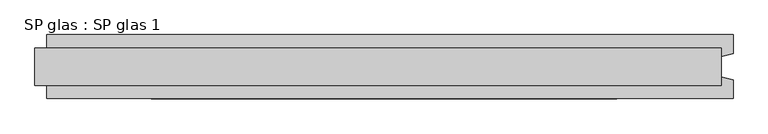
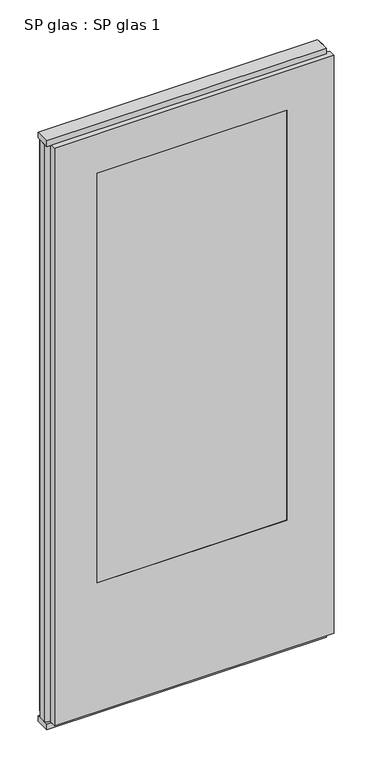
"""IFC4 building model written with IfcOpenShell, lengths in millimetres: plate geometry, SP glas : SP glas 1."""

from ifc_helpers import new_model, si_unit, frame, origin, origin_with_axes, place, context, project, spatial, polyline, outline, extrude, faceted_brep, source, transform, mapped, element, save


def sp_glas_sp_glas_1_ab3bdc48(model_context):
    return source(origin(), model_context, "Body", "SolidModel", [
        extrude(outline(polyline([(590.0, -32.0), (-590.0, -32.0), (-590.0, 32.0), (590.0, 32.0), (590.0, -32.0)])), origin_with_axes(), (0.0, 0.0, 1.0), 25.0),
        extrude(outline(polyline([(590.0, -32.0), (-590.0, -32.0), (-590.0, 32.0), (590.0, 32.0), (590.0, -32.0)])), frame((0.0, 0.0, 2602.0), z_axis=(0.0, 0.0, 1.0), x_axis=(1.0, 0.0, 0.0)), (0.0, 0.0, 1.0), 25.0),
        faceted_brep([(610.0, -55.0, 25.0), (-570.0, -55.0, 25.0), (-570.0, -22.9993165, 25.0), (-590.0, -17.6401049, 25.0), (-590.0, 17.6401049, 25.0), (-570.0, 22.9993165, 25.0), (-570.0, 55.0, 25.0), (610.0, 55.0, 25.0), (610.0, 22.9993165, 25.0), (590.0, 17.6401049, 25.0), (590.0, -17.6401049, 25.0), (610.0, -22.9993165, 25.0), (610.0, -22.9993165, 2602.0), (610.0, -55.0, 2602.0), (590.0, -17.6401049, 2602.0), (590.0, 17.6401049, 2602.0), (610.0, 22.9993165, 2602.0), (610.0, 55.0, 2602.0), (-570.0, 55.0, 2602.0), (-390.0, 55.0, 600.0), (410.0, 55.0, 600.0), (410.0, 55.0, 2427.0), (-390.0, 55.0, 2427.0), (-570.0, 22.9993165, 2602.0), (-590.0, 17.6401049, 2602.0), (-590.0, -17.6401049, 2602.0), (-570.0, -22.9993165, 2602.0), (-570.0, -55.0, 2602.0), (-390.0, -55.0, 2427.0), (410.0, -55.0, 2427.0), (410.0, -55.0, 600.0), (-390.0, -55.0, 600.0)], [[[0, 1, 2, 3, 4, 5, 6, 7, 8, 9, 10, 11]], [[11, 12, 13, 0]], [[10, 14, 12, 11]], [[9, 15, 14, 10]], [[8, 16, 15, 9]], [[7, 17, 16, 8]], [[6, 18, 17, 7], [19, 20, 21, 22]], [[5, 23, 18, 6]], [[4, 24, 23, 5]], [[3, 25, 24, 4]], [[2, 26, 25, 3]], [[1, 27, 26, 2]], [[0, 13, 27, 1], [28, 29, 30, 31]], [[28, 31, 19, 22]], [[30, 29, 21, 20]], [[31, 30, 20, 19]], [[13, 12, 14, 15, 16, 17, 18, 23, 24, 25, 26, 27]], [[22, 21, 29, 28]]]),
        extrude(outline(polyline([(410.0, -55.0), (-390.0, -55.0), (-390.0, 55.0), (410.0, 55.0), (410.0, -55.0)])), frame((0.0, 0.0, 600.0), z_axis=(0.0, 0.0, 1.0), x_axis=(1.0, 0.0, 0.0)), (0.0, 0.0, 1.0), 1827.0),
    ])


if __name__ == "__main__":
    model = new_model("IFC4")
    model_context = context("Model", 3, world=origin())
    ifc_project = project(units=[si_unit("LENGTHUNIT", "METRE", prefix="MILLI")], contexts=[model_context])
    site = spatial("IfcSite", under=ifc_project)
    building = spatial("IfcBuilding", under=site)
    placement = place(None, origin())
    sp_glas_sp_glas_1_shape = sp_glas_sp_glas_1_ab3bdc48(model_context)
    element("IfcPlate", 1, ObjectType="SP glas : SP glas 1", at=placement, inside=building, context=model_context, shape_type="MappedRepresentation", body=[
        mapped(sp_glas_sp_glas_1_shape, transform((0.0, 0.0, 0.0), x_axis=(1.0, 0.0, 0.0), y_axis=(0.0, 1.0, 0.0), z_axis=(0.0, 0.0, 1.0))),
    ])
    save(model, "model.ifc")
